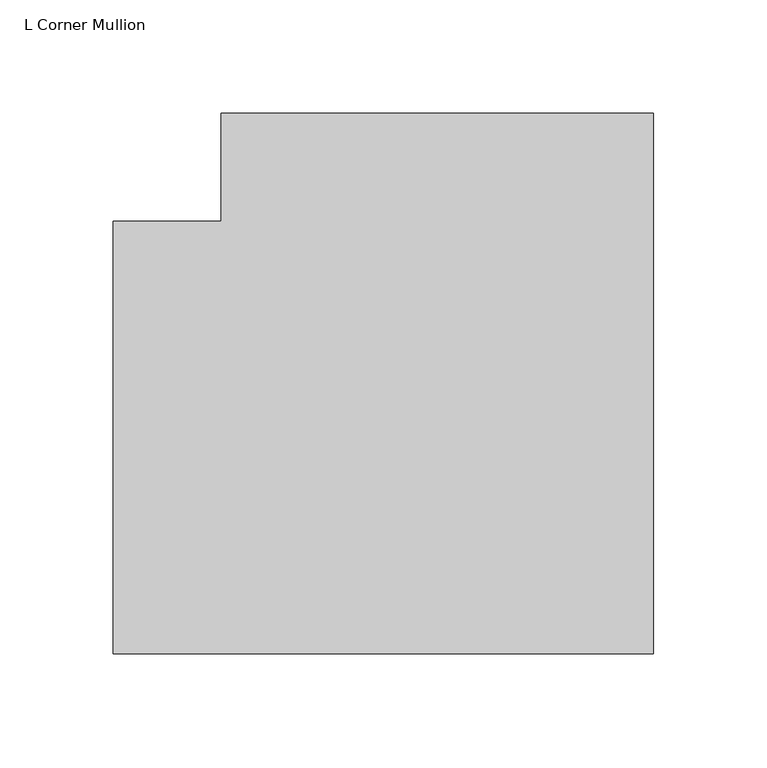
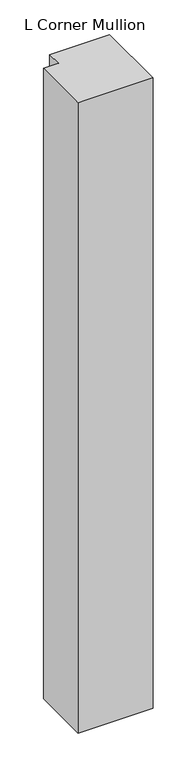
"""IFC4 building model written with IfcOpenShell, lengths in millimetres: member geometry, L Corner Mullion."""

import ifcopenshell
import ifcopenshell.guid

model = None  # the IFC model being written
_history = None  # IfcOwnerHistory: only IFC2X3 demands one
_inside = {}  # id of a spatial element -> (the spatial element, [elements in it])
_under = {}  # id of a project, library or spatial element -> (it, [spatial elements below it])
_declared = {}  # id of a project -> (the project, [libraries it declares])
_typed = {}  # id of a type object -> (the type object, [elements of that type])
_made_of = {}  # id of a material, layer set ... -> (it, [elements and type objects made of it])


def new_model(schema):
    """Start an empty IFC model of exactly this schema.

    Asked for "IFC4X3", IfcOpenShell would pick the latest addendum, in which some entities
    have other attributes; the version numbers below select the first issue.
    IFC2X3 requires an IfcOwnerHistory on every rooted entity: one is made here for all.
    """
    global model, _history
    if schema == "IFC4X3":
        model = ifcopenshell.file(schema_version=(4, 3, 0, 0))
    else:
        model = ifcopenshell.file(schema=schema)
    _inside.clear()
    _under.clear()
    _declared.clear()
    _typed.clear()
    _made_of.clear()
    _history = None
    if model.schema == "IFC2X3":
        org = make("IfcOrganization", Name="unknown")
        user = make(
            "IfcPersonAndOrganization",
            ThePerson=make("IfcPerson", FamilyName="unknown"),
            TheOrganization=org,
        )
        app = make(
            "IfcApplication",
            ApplicationDeveloper=org,
            Version="unknown",
            ApplicationFullName="unknown",
            ApplicationIdentifier="unknown",
        )
        _history = make(
            "IfcOwnerHistory",
            OwningUser=user,
            OwningApplication=app,
            ChangeAction="ADDED",
            CreationDate=0,
        )
    return model


def make(cls, **values):
    """One entity of the class cls with the attributes given. An attribute that is None is left unset."""
    return model.create_entity(
        cls, **{name: value for name, value in values.items() if value is not None}
    )


def rooted(cls, **values):
    """An entity with a GlobalId (a new one), such as an element, a storey or a relation."""
    return make(cls, GlobalId=ifcopenshell.guid.new(), OwnerHistory=_history, **values)


def si_unit(unit_type, name, prefix=None):
    """IfcSIUnit, for example si_unit("LENGTHUNIT", "METRE", prefix="MILLI")."""
    return make("IfcSIUnit", UnitType=unit_type, Prefix=prefix, Name=name)


def assignment(units):
    """IfcUnitAssignment: the units of a project."""
    return None if units is None else make("IfcUnitAssignment", Units=units)


def point(xyz):
    """IfcCartesianPoint."""
    return None if xyz is None else make("IfcCartesianPoint", Coordinates=xyz)


def direction(xyz):
    """IfcDirection."""
    return None if xyz is None else make("IfcDirection", DirectionRatios=xyz)


def frame(location, z_axis=None, x_axis=None):
    """IfcAxis2Placement3D, a coordinate frame: its origin and axes. An axis left out is left unset."""
    return make(
        "IfcAxis2Placement3D",
        Location=point(location),
        Axis=direction(z_axis),
        RefDirection=direction(x_axis),
    )


def origin():
    """The frame at (0, 0, 0) with its axes left unset."""
    return frame((0.0, 0.0, 0.0))


def place(relative_to, where):
    """IfcLocalPlacement: puts the frame where relative to a parent placement (None: the world)."""
    return make(
        "IfcLocalPlacement", PlacementRelTo=relative_to, RelativePlacement=where
    )


def context(
    kind, dimensions, precision=None, world=None, true_north=None, identifier=None
):
    """IfcGeometricRepresentationContext, for example the 3D "Model" context."""
    return make(
        "IfcGeometricRepresentationContext",
        ContextIdentifier=identifier,
        ContextType=kind,
        CoordinateSpaceDimension=dimensions,
        Precision=precision,
        WorldCoordinateSystem=world,
        TrueNorth=true_north,
    )


def project(units=None, contexts=None):
    """IfcProject with its units and contexts."""
    return rooted(
        "IfcProject",
        Name="project",
        RepresentationContexts=contexts,
        UnitsInContext=assignment(units),
    )


def spatial(cls, under=None, at=None, **own):
    """A site, building, storey or space (cls), placed at a placement, below another one or the project."""
    s = rooted(cls, ObjectPlacement=at, **own)
    if under is not None:
        _under.setdefault(under.id(), (under, []))[1].append(s)
    return s


def polyline(points):
    """IfcPolyline through the points."""
    return make("IfcPolyline", Points=[point(p) for p in points])


def outline(outer, holes=None, kind="AREA"):
    """IfcArbitraryClosedProfileDef: a profile drawn as a closed curve; with holes, ...WithVoids."""
    if holes is None:
        return make("IfcArbitraryClosedProfileDef", ProfileType=kind, OuterCurve=outer)
    return make(
        "IfcArbitraryProfileDefWithVoids",
        ProfileType=kind,
        OuterCurve=outer,
        InnerCurves=holes,
    )


def extrude(swept, where, along, depth):
    """IfcExtrudedAreaSolid: the profile swept, set in the frame where, extruded along a direction by depth."""
    return make(
        "IfcExtrudedAreaSolid",
        SweptArea=swept,
        Position=where,
        ExtrudedDirection=direction(along),
        Depth=depth,
    )


def shape(context_of_items, identifier, shape_type, items):
    """IfcShapeRepresentation: the items that make up one representation, for example the "Body"."""
    return make(
        "IfcShapeRepresentation",
        ContextOfItems=context_of_items,
        RepresentationIdentifier=identifier,
        RepresentationType=shape_type,
        Items=items,
    )


def source(mapping_origin, context_of_items, identifier, shape_type, items):
    """IfcRepresentationMap: a shape defined once, which mapped items show again and again."""
    return make(
        "IfcRepresentationMap",
        MappingOrigin=mapping_origin,
        MappedRepresentation=shape(context_of_items, identifier, shape_type, items),
    )


def transform(
    local_origin,
    x_axis=None,
    y_axis=None,
    z_axis=None,
    scale=None,
    scale2=None,
    scale3=None,
    uniform=True,
):
    """IfcCartesianTransformationOperator3D, or its non-uniform kind. x_axis, y_axis, z_axis: its Axis1, 2, 3."""
    if uniform:
        return make(
            "IfcCartesianTransformationOperator3D",
            Axis1=direction(x_axis),
            Axis2=direction(y_axis),
            LocalOrigin=point(local_origin),
            Scale=scale,
            Axis3=direction(z_axis),
        )
    return make(
        "IfcCartesianTransformationOperator3DnonUniform",
        Axis1=direction(x_axis),
        Axis2=direction(y_axis),
        LocalOrigin=point(local_origin),
        Scale=scale,
        Axis3=direction(z_axis),
        Scale2=scale2,
        Scale3=scale3,
    )


def mapped(mapping_source, mapping_target):
    """IfcMappedItem: shows the shape of a source again, moved by a transform."""
    return make(
        "IfcMappedItem", MappingSource=mapping_source, MappingTarget=mapping_target
    )


def made_of(thing, what):
    """Note that an element or type object is made of a material, layer set ...; save() writes the relation."""
    if what is not None:
        _made_of.setdefault(what.id(), (what, []))[1].append(thing)
    return thing


def element(
    cls,
    number,
    at=None,
    inside=None,
    cuts=None,
    type_object=None,
    material=None,
    context=None,
    identifier="Body",
    shape_type=None,
    held_by="IfcProductDefinitionShape",
    body=None,
    shapes=None,
    **own,
):
    """One element of the class cls, such as IfcWall. Its Tag is "e" and its number.

    at: its placement. inside: the storey or other place that contains it. cuts: it is an
    opening in that element (IfcRelVoidsElement). A single representation is given by context,
    identifier, shape_type and body (its items); several are given by shapes. held_by: the class
    of the entity that holds the representations. save() writes the other relations.
    """
    e = rooted(cls, Tag="e%d" % number, ObjectPlacement=at, **own)
    if body is not None:
        shapes = [shape(context, identifier, shape_type, body)]
    if shapes is not None:
        e.Representation = make(held_by, Representations=shapes)
    if inside is not None:
        _inside.setdefault(inside.id(), (inside, []))[1].append(e)
    if cuts is not None:
        rooted(
            "IfcRelVoidsElement", RelatingBuildingElement=cuts, RelatedOpeningElement=e
        )
    if type_object is not None:
        _typed.setdefault(type_object.id(), (type_object, []))[1].append(e)
    return made_of(e, material)


def aggregate(whole, parts):
    """IfcRelAggregates: a whole, such as a stair, and the parts it consists of."""
    return rooted("IfcRelAggregates", RelatingObject=whole, RelatedObjects=parts)


def save(model, path):
    """Write the relations noted so far, then the file.

    IfcRelAggregates (storeys below a building ...), IfcRelContainedInSpatialStructure (elements
    in a storey), IfcRelDefinesByType, IfcRelAssociatesMaterial and IfcRelDeclares: one each for
    every whole, place, type object, material and project.
    """
    for whole, parts in _under.values():
        aggregate(whole, parts)
    for where, things in _inside.values():
        rooted(
            "IfcRelContainedInSpatialStructure",
            RelatedElements=things,
            RelatingStructure=where,
        )
    for kind, things in _typed.values():
        rooted("IfcRelDefinesByType", RelatedObjects=things, RelatingType=kind)
    for what, things in _made_of.values():
        rooted("IfcRelAssociatesMaterial", RelatedObjects=things, RelatingMaterial=what)
    for by, libraries in _declared.values():
        rooted("IfcRelDeclares", RelatingContext=by, RelatedDefinitions=libraries)
    model.write(path)


def l_corner_mullion_7917a66d(model_context):
    return source(origin(), model_context, "Body", "SweptSolid", [
        extrude(outline(polyline([(152.4, 85.725), (152.4, -152.4), (-85.725, -152.4), (-85.725, 38.1), (-38.1, 38.1), (-38.1, 85.725), (152.4, 85.725)])), frame((0.0, 0.0, -2113.59299), z_axis=(0.0, 0.0, 1.0), x_axis=(1.0, 0.0, 0.0)), (0.0, 0.0, 1.0), 2113.59299),
    ])


if __name__ == "__main__":
    model = new_model("IFC4")
    model_context = context("Model", 3, world=origin())
    ifc_project = project(units=[si_unit("LENGTHUNIT", "METRE", prefix="MILLI")], contexts=[model_context])
    site = spatial("IfcSite", under=ifc_project)
    building = spatial("IfcBuilding", under=site)
    placement = place(None, origin())
    l_corner_mullion_shape = l_corner_mullion_7917a66d(model_context)
    element("IfcMember", 1, ObjectType="L Corner Mullion", at=placement, inside=building, context=model_context, shape_type="MappedRepresentation", body=[
        mapped(l_corner_mullion_shape, transform((0.0, 0.0, 0.0), x_axis=(1.0, 0.0, 0.0), y_axis=(0.0, 1.0, 0.0), z_axis=(0.0, 0.0, 1.0))),
    ])
    save(model, "model.ifc")
